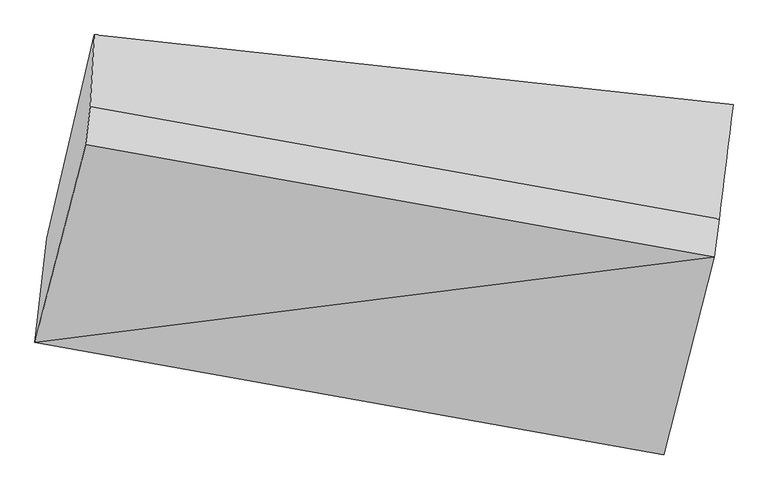
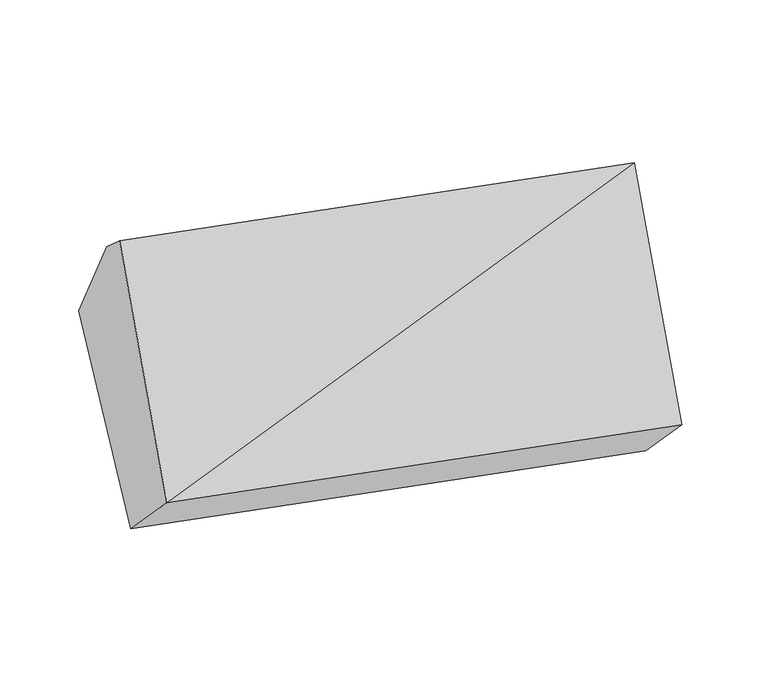
"""IFC4 building model written with IfcOpenShell, lengths in millimetres: proxy geometry."""

from ifc_helpers import new_model, si_unit, frame, origin, place, context, project, spatial, source, transform, mapped, element, save
from ifc_brep_helpers import plane_surface, spline_surface, advanced_brep


def generic_models_81fe0a0a(model_context):
    return source(origin(), model_context, "Body", "AdvancedBrep", [
        advanced_brep(
        [(-3856.76661, -1761.3025387, 1785.6023353), (-3822.5703964, -1459.7264749, 1482.7409548), (-2006.358502, -1784.1165741, 1364.7968335), (-2040.5547156, -2085.6926379, 1667.658214), (-3710.5098582, -1189.4592874, 2465.0169792), (-1894.2979638, -1513.8493865, 2347.0728579), (-3697.0460537, -1079.3181972, 2369.4161381), (-1880.8341593, -1403.7082964, 2251.4720168), (-3685.4847411, -871.7731308, 1976.6219003), (-1840.4868367, -1072.7015098, 1962.3856525)],
        [
            (0, 1),
            (1, 2),
            (2, 3),
            (3, 0),
            (4, 0),
            (0, 5),
            (5, 4),
            (6, 4),
            (5, 7),
            (7, 6),
            (8, 6),
            (7, 9),
            (9, 8),
            (1, 8),
            (9, 2),
            (5, 3),
        ],
        [
            plane_surface(frame((-3839.6685032, -1610.5145068, 1634.171645), z_axis=(-0.16881405674868802, -0.6888428760538765, -0.7049803588426237), x_axis=(0.07975447117664532, 0.703353879687779, -0.7063515726998015))),
            plane_surface(frame((-3783.6382341, -1475.380913, 2125.3096572), z_axis=(-0.09192536775508167, -0.7519984552380531, 0.6527235632966495), x_axis=(-0.162507501955168, -0.6353813904117812, -0.7549051599549992))),
            plane_surface(frame((-3703.7779559, -1134.3887423, 2417.2165587), z_axis=(0.16250750195516853, 0.6353813904117801, 0.754905159955), x_axis=(-0.09192536775508255, -0.7519984552380536, 0.6527235632966485))),
            spline_surface(1, 1, [[(-3685.4847411, -871.7731308, 1976.6219003), (-1840.4868367, -1072.7015098, 1962.3856525)], [(-3697.0460537, -1079.3181972, 2369.4161381), (-1880.8341593, -1403.7082964, 2251.4720168)]], [2, 2], [2, 2], [0.0, 1.0], [0.0, 1.0]),
            plane_surface(frame((-3754.0275687, -1165.7498029, 1729.6814275), z_axis=(0.06301272586043014, 0.6332593021033905, -0.7713702435790256), x_axis=(0.17575084013527698, 0.7537863386010335, 0.633180699271695))),
            plane_surface(frame((-1932.5064355, -1572.0136809, 1918.6771149), z_axis=(0.9824159193393518, -0.1754674101876872, -0.06379772245654283), x_axis=(-0.09192536775508255, -0.7519984552380536, 0.6527235632966485))),
            plane_surface(frame((-3754.4755319, -1272.3159258, 2015.8796615), z_axis=(-0.9824159193393522, 0.17546741018768322, 0.06379772245654589), x_axis=(-0.07975447117664469, -0.703353879687779, 0.7063515726998015))),
            plane_surface(frame((-3856.76661, -1761.3025387, 1785.6023353), z_axis=(-0.09192536775508192, -0.7519984552380524, 0.6527235632966503), x_axis=(-0.1625075019551683, -0.6353813904117819, -0.7549051599549985))),
        ],
        [
            (0, [[1, 2, 3, 4]]),
            (1, [[5, 6, 7]]),
            (2, [[8, -7, 9, 10]]),
            (3, [[11, -10, 12, 13]]),
            (4, [[14, -13, 15, -2]]),
            (5, [[-9, 16, -3, -15, -12]]),
            (6, [[-1, -5, -8, -11, -14]]),
            (7, [[-16, -6, -4]]),
        ],
    ),
    ])


if __name__ == "__main__":
    model = new_model("IFC4")
    model_context = context("Model", 3, world=origin())
    ifc_project = project(units=[si_unit("LENGTHUNIT", "METRE", prefix="MILLI")], contexts=[model_context])
    site = spatial("IfcSite", under=ifc_project)
    building = spatial("IfcBuilding", under=site)
    placement = place(None, origin())
    generic_models_shape = generic_models_81fe0a0a(model_context)
    element("IfcBuildingElementProxy", 1, Name="Generic Models", at=placement, inside=building, context=model_context, shape_type="MappedRepresentation", body=[
        mapped(generic_models_shape, transform((0.0, 0.0, 0.0), x_axis=(1.0, 0.0, 0.0), y_axis=(0.0, 1.0, 0.0), z_axis=(0.0, 0.0, 1.0))),
    ])
    save(model, "model.ifc")
